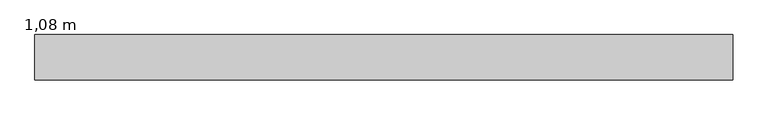
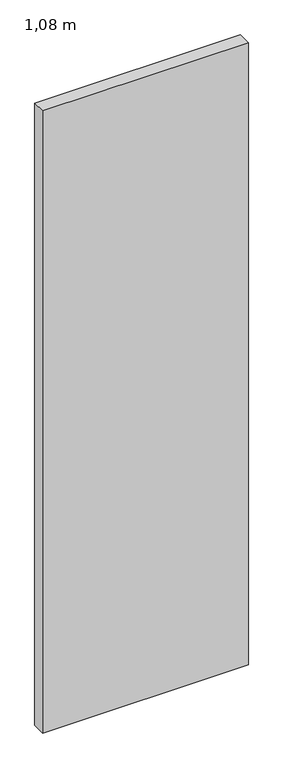
"""IFC4 building model written with IfcOpenShell, lengths in millimetres: furniture geometry, 1,08 m."""

from ifc_helpers import new_model, si_unit, origin, origin_with_axes, place, context, project, spatial, polyline, outline, extrude, source, transform, mapped, element, save


def furniture_1_08_m_12da307e(model_context):
    return source(origin(), model_context, "Body", "SweptSolid", [
        extrude(outline(polyline([(665.0, 290.0), (-415.0, 290.0), (-415.0, 360.0), (665.0, 360.0), (665.0, 290.0)])), origin_with_axes(), (0.0, 0.0, 1.0), 3450.0),
    ])


if __name__ == "__main__":
    model = new_model("IFC4")
    model_context = context("Model", 3, world=origin())
    ifc_project = project(units=[si_unit("LENGTHUNIT", "METRE", prefix="MILLI")], contexts=[model_context])
    site = spatial("IfcSite", under=ifc_project)
    building = spatial("IfcBuilding", under=site)
    placement = place(None, origin())
    furniture_1_08_m_shape = furniture_1_08_m_12da307e(model_context)
    element("IfcFurniture", 1, ObjectType="1,08 m", at=placement, inside=building, context=model_context, shape_type="MappedRepresentation", body=[
        mapped(furniture_1_08_m_shape, transform((0.0, 0.0, 0.0), x_axis=(1.0, 0.0, 0.0), y_axis=(0.0, 1.0, 0.0), z_axis=(0.0, 0.0, 1.0))),
    ])
    save(model, "model.ifc")
